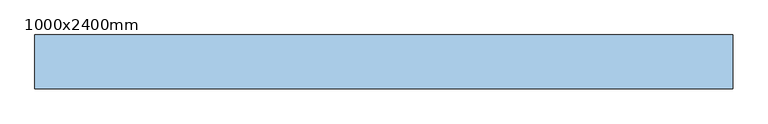
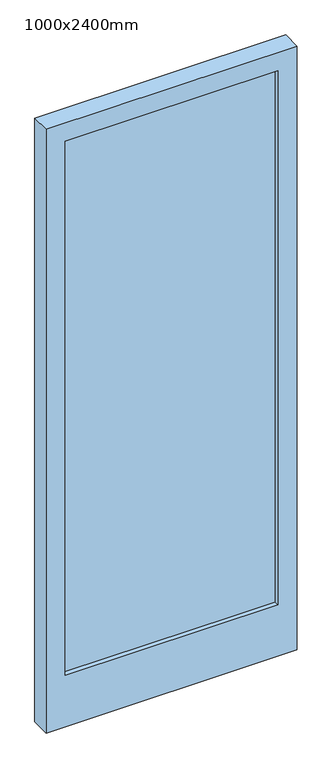
"""IFC4 building model written with IfcOpenShell, lengths in millimetres: window geometry, 1000x2400mm."""

from ifc_helpers import new_model, si_unit, frame, origin, place, context, project, spatial, polyline, outline, extrude, source, transform, mapped, element, save


def window_1000x2400mm_b33089c8(model_context):
    return source(origin(), model_context, "Body", "SweptSolid", [
        extrude(outline(polyline([(423.0, 107.0), (423.0, 63.0), (-423.0, 63.0), (-423.0, 107.0), (423.0, 107.0)])), frame((0.0, 0.0, 77.0), z_axis=(0.0, 0.0, 1.0), x_axis=(1.0, 0.0, 0.0)), (0.0, 0.0, 1.0), 2246.0),
        extrude(outline(polyline([(2400.0, 500.0), (2400.0, -500.0), (-140.0, -500.0), (-140.0, 500.0), (2400.0, 500.0)]), holes=[polyline([(2323.0, -423.0), (2323.0, 423.0), (77.0, 423.0), (77.0, -423.0), (2323.0, -423.0)])]), frame((0.0, 45.0, 0.0), z_axis=(0.0, 1.0, 0.0), x_axis=(0.0, 0.0, 1.0)), (0.0, 0.0, 1.0), 77.0),
    ])


if __name__ == "__main__":
    model = new_model("IFC4")
    model_context = context("Model", 3, world=origin())
    ifc_project = project(units=[si_unit("LENGTHUNIT", "METRE", prefix="MILLI")], contexts=[model_context])
    site = spatial("IfcSite", under=ifc_project)
    building = spatial("IfcBuilding", under=site)
    placement = place(None, origin())
    window_1000x2400mm_shape = window_1000x2400mm_b33089c8(model_context)
    element("IfcWindow", 1, ObjectType="1000x2400mm", at=placement, inside=building, context=model_context, shape_type="MappedRepresentation", body=[
        mapped(window_1000x2400mm_shape, transform((0.0, 0.0, 0.0), x_axis=(1.0, 0.0, 0.0), y_axis=(0.0, 1.0, 0.0), z_axis=(0.0, 0.0, 1.0))),
    ])
    save(model, "model.ifc")
